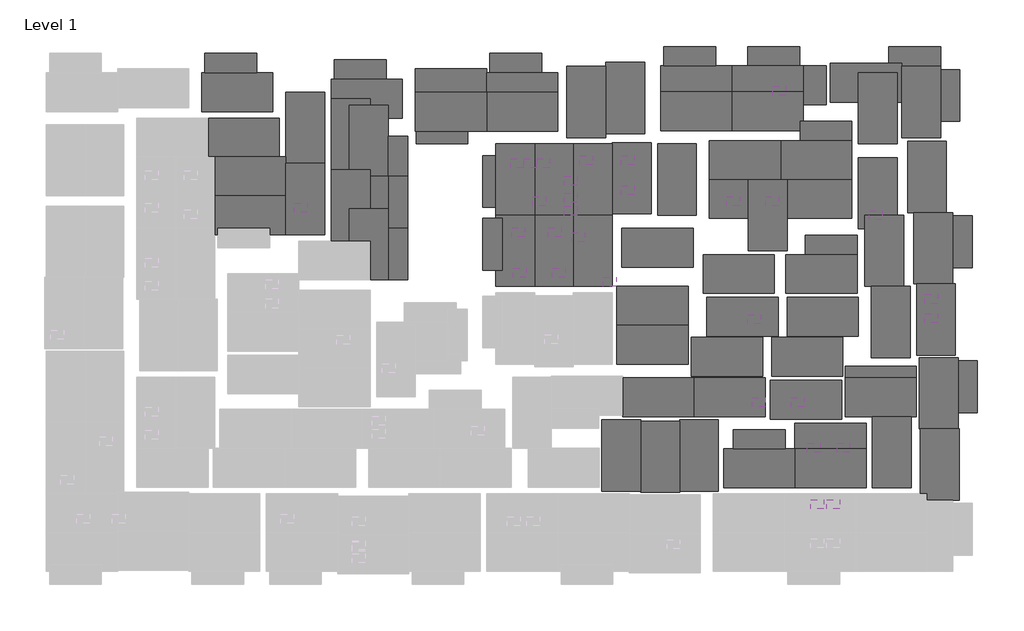
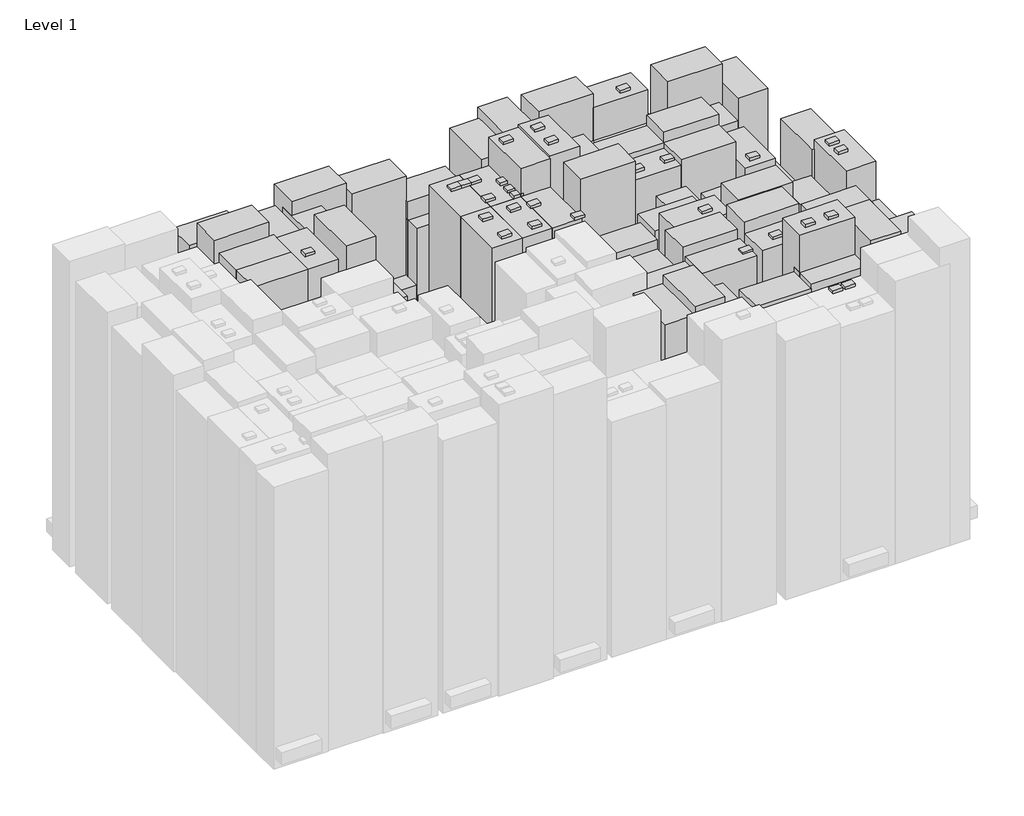
# One storey, part 2 of 2: 116 proxies.
"""IFC4 building model written with IfcOpenShell, lengths in millimetres."""

import ifcopenshell
import ifcopenshell.guid

model = None  # the IFC model being written
_history = None  # IfcOwnerHistory: only IFC2X3 demands one
_inside = {}  # id of a spatial element -> (the spatial element, [elements in it])
_under = {}  # id of a project, library or spatial element -> (it, [spatial elements below it])
_declared = {}  # id of a project -> (the project, [libraries it declares])
_typed = {}  # id of a type object -> (the type object, [elements of that type])
_made_of = {}  # id of a material, layer set ... -> (it, [elements and type objects made of it])


def new_model(schema):
    """Start an empty IFC model of exactly this schema.

    Asked for "IFC4X3", IfcOpenShell would pick the latest addendum, in which some entities
    have other attributes; the version numbers below select the first issue.
    IFC2X3 requires an IfcOwnerHistory on every rooted entity: one is made here for all.
    """
    global model, _history
    if schema == "IFC4X3":
        model = ifcopenshell.file(schema_version=(4, 3, 0, 0))
    else:
        model = ifcopenshell.file(schema=schema)
    _inside.clear()
    _under.clear()
    _declared.clear()
    _typed.clear()
    _made_of.clear()
    _history = None
    if model.schema == "IFC2X3":
        org = make("IfcOrganization", Name="unknown")
        user = make(
            "IfcPersonAndOrganization",
            ThePerson=make("IfcPerson", FamilyName="unknown"),
            TheOrganization=org,
        )
        app = make(
            "IfcApplication",
            ApplicationDeveloper=org,
            Version="unknown",
            ApplicationFullName="unknown",
            ApplicationIdentifier="unknown",
        )
        _history = make(
            "IfcOwnerHistory",
            OwningUser=user,
            OwningApplication=app,
            ChangeAction="ADDED",
            CreationDate=0,
        )
    return model


def make(cls, **values):
    """One entity of the class cls with the attributes given. An attribute that is None is left unset."""
    return model.create_entity(
        cls, **{name: value for name, value in values.items() if value is not None}
    )


def rooted(cls, **values):
    """An entity with a GlobalId (a new one), such as an element, a storey or a relation."""
    return make(cls, GlobalId=ifcopenshell.guid.new(), OwnerHistory=_history, **values)


def si_unit(unit_type, name, prefix=None):
    """IfcSIUnit, for example si_unit("LENGTHUNIT", "METRE", prefix="MILLI")."""
    return make("IfcSIUnit", UnitType=unit_type, Prefix=prefix, Name=name)


def assignment(units):
    """IfcUnitAssignment: the units of a project."""
    return None if units is None else make("IfcUnitAssignment", Units=units)


def point(xyz):
    """IfcCartesianPoint."""
    return None if xyz is None else make("IfcCartesianPoint", Coordinates=xyz)


def direction(xyz):
    """IfcDirection."""
    return None if xyz is None else make("IfcDirection", DirectionRatios=xyz)


def frame(location, z_axis=None, x_axis=None):
    """IfcAxis2Placement3D, a coordinate frame: its origin and axes. An axis left out is left unset."""
    return make(
        "IfcAxis2Placement3D",
        Location=point(location),
        Axis=direction(z_axis),
        RefDirection=direction(x_axis),
    )


def origin():
    """The frame at (0, 0, 0) with its axes left unset."""
    return frame((0.0, 0.0, 0.0))


def origin_with_axes():
    """The frame at (0, 0, 0) with the z axis (0, 0, 1) and the x axis (1, 0, 0) written out."""
    return frame((0.0, 0.0, 0.0), z_axis=(0.0, 0.0, 1.0), x_axis=(1.0, 0.0, 0.0))


def place(relative_to, where):
    """IfcLocalPlacement: puts the frame where relative to a parent placement (None: the world)."""
    return make(
        "IfcLocalPlacement", PlacementRelTo=relative_to, RelativePlacement=where
    )


def context(
    kind, dimensions, precision=None, world=None, true_north=None, identifier=None
):
    """IfcGeometricRepresentationContext, for example the 3D "Model" context."""
    return make(
        "IfcGeometricRepresentationContext",
        ContextIdentifier=identifier,
        ContextType=kind,
        CoordinateSpaceDimension=dimensions,
        Precision=precision,
        WorldCoordinateSystem=world,
        TrueNorth=true_north,
    )


def project(units=None, contexts=None):
    """IfcProject with its units and contexts."""
    return rooted(
        "IfcProject",
        Name="project",
        RepresentationContexts=contexts,
        UnitsInContext=assignment(units),
    )


def spatial(cls, under=None, at=None, **own):
    """A site, building, storey or space (cls), placed at a placement, below another one or the project."""
    s = rooted(cls, ObjectPlacement=at, **own)
    if under is not None:
        _under.setdefault(under.id(), (under, []))[1].append(s)
    return s


def polyline(points):
    """IfcPolyline through the points."""
    return make("IfcPolyline", Points=[point(p) for p in points])


def outline(outer, holes=None, kind="AREA"):
    """IfcArbitraryClosedProfileDef: a profile drawn as a closed curve; with holes, ...WithVoids."""
    if holes is None:
        return make("IfcArbitraryClosedProfileDef", ProfileType=kind, OuterCurve=outer)
    return make(
        "IfcArbitraryProfileDefWithVoids",
        ProfileType=kind,
        OuterCurve=outer,
        InnerCurves=holes,
    )


def extrude(swept, where, along, depth):
    """IfcExtrudedAreaSolid: the profile swept, set in the frame where, extruded along a direction by depth."""
    return make(
        "IfcExtrudedAreaSolid",
        SweptArea=swept,
        Position=where,
        ExtrudedDirection=direction(along),
        Depth=depth,
    )


def shape(context_of_items, identifier, shape_type, items):
    """IfcShapeRepresentation: the items that make up one representation, for example the "Body"."""
    return make(
        "IfcShapeRepresentation",
        ContextOfItems=context_of_items,
        RepresentationIdentifier=identifier,
        RepresentationType=shape_type,
        Items=items,
    )


def source(mapping_origin, context_of_items, identifier, shape_type, items):
    """IfcRepresentationMap: a shape defined once, which mapped items show again and again."""
    return make(
        "IfcRepresentationMap",
        MappingOrigin=mapping_origin,
        MappedRepresentation=shape(context_of_items, identifier, shape_type, items),
    )


def transform(
    local_origin,
    x_axis=None,
    y_axis=None,
    z_axis=None,
    scale=None,
    scale2=None,
    scale3=None,
    uniform=True,
):
    """IfcCartesianTransformationOperator3D, or its non-uniform kind. x_axis, y_axis, z_axis: its Axis1, 2, 3."""
    if uniform:
        return make(
            "IfcCartesianTransformationOperator3D",
            Axis1=direction(x_axis),
            Axis2=direction(y_axis),
            LocalOrigin=point(local_origin),
            Scale=scale,
            Axis3=direction(z_axis),
        )
    return make(
        "IfcCartesianTransformationOperator3DnonUniform",
        Axis1=direction(x_axis),
        Axis2=direction(y_axis),
        LocalOrigin=point(local_origin),
        Scale=scale,
        Axis3=direction(z_axis),
        Scale2=scale2,
        Scale3=scale3,
    )


def mapped(mapping_source, mapping_target):
    """IfcMappedItem: shows the shape of a source again, moved by a transform."""
    return make(
        "IfcMappedItem", MappingSource=mapping_source, MappingTarget=mapping_target
    )


def made_of(thing, what):
    """Note that an element or type object is made of a material, layer set ...; save() writes the relation."""
    if what is not None:
        _made_of.setdefault(what.id(), (what, []))[1].append(thing)
    return thing


def element(
    cls,
    number,
    at=None,
    inside=None,
    cuts=None,
    type_object=None,
    material=None,
    context=None,
    identifier="Body",
    shape_type=None,
    held_by="IfcProductDefinitionShape",
    body=None,
    shapes=None,
    **own,
):
    """One element of the class cls, such as IfcWall. Its Tag is "e" and its number.

    at: its placement. inside: the storey or other place that contains it. cuts: it is an
    opening in that element (IfcRelVoidsElement). A single representation is given by context,
    identifier, shape_type and body (its items); several are given by shapes. held_by: the class
    of the entity that holds the representations. save() writes the other relations.
    """
    e = rooted(cls, Tag="e%d" % number, ObjectPlacement=at, **own)
    if body is not None:
        shapes = [shape(context, identifier, shape_type, body)]
    if shapes is not None:
        e.Representation = make(held_by, Representations=shapes)
    if inside is not None:
        _inside.setdefault(inside.id(), (inside, []))[1].append(e)
    if cuts is not None:
        rooted(
            "IfcRelVoidsElement", RelatingBuildingElement=cuts, RelatedOpeningElement=e
        )
    if type_object is not None:
        _typed.setdefault(type_object.id(), (type_object, []))[1].append(e)
    return made_of(e, material)


def aggregate(whole, parts):
    """IfcRelAggregates: a whole, such as a stair, and the parts it consists of."""
    return rooted("IfcRelAggregates", RelatingObject=whole, RelatedObjects=parts)


def save(model, path):
    """Write the relations noted so far, then the file.

    IfcRelAggregates (storeys below a building ...), IfcRelContainedInSpatialStructure (elements
    in a storey), IfcRelDefinesByType, IfcRelAssociatesMaterial and IfcRelDeclares: one each for
    every whole, place, type object, material and project.
    """
    for whole, parts in _under.values():
        aggregate(whole, parts)
    for where, things in _inside.values():
        rooted(
            "IfcRelContainedInSpatialStructure",
            RelatedElements=things,
            RelatingStructure=where,
        )
    for kind, things in _typed.values():
        rooted("IfcRelDefinesByType", RelatedObjects=things, RelatingType=kind)
    for what, things in _made_of.values():
        rooted("IfcRelAssociatesMaterial", RelatedObjects=things, RelatingMaterial=what)
    for by, libraries in _declared.values():
        rooted("IfcRelDeclares", RelatingContext=by, RelatedDefinitions=libraries)
    model.write(path)


def family1_dcfbde00(model_context):
    return source(origin(), model_context, "Body", "SweptSolid", [
        extrude(outline(polyline([(5500.0, 0.0), (0.0, 0.0), (0.0, 3000.0), (5500.0, 3000.0), (5500.0, 0.0)])), origin_with_axes(), (0.0, 0.0, 1.0), 30000.0),
    ])


def family1_fa76c40e(model_context):
    return source(origin(), model_context, "Body", "SweptSolid", [
        extrude(outline(polyline([(5500.0, 0.0), (0.0, 0.0), (0.0, 3000.0), (5500.0, 3000.0), (5500.0, 0.0)])), origin_with_axes(), (0.0, 0.0, 1.0), 31500.0),
    ])


def family1_e73b99d9(model_context):
    return source(origin(), model_context, "Body", "SweptSolid", [
        extrude(outline(polyline([(5500.0, 0.0), (0.0, 0.0), (0.0, 3000.0), (5500.0, 3000.0), (5500.0, 0.0)])), origin_with_axes(), (0.0, 0.0, 1.0), 31000.0),
    ])


def family1_9aadf6d4(model_context):
    return source(origin(), model_context, "Body", "SweptSolid", [
        extrude(outline(polyline([(5500.0, 0.0), (0.0, 0.0), (0.0, 3000.0), (5500.0, 3000.0), (5500.0, 0.0)])), origin_with_axes(), (0.0, 0.0, 1.0), 29000.0),
    ])


def family1_6fe13b76(model_context):
    return source(origin(), model_context, "Body", "SweptSolid", [
        extrude(outline(polyline([(5500.0, 0.0), (0.0, 0.0), (0.0, 3000.0), (5500.0, 3000.0), (5500.0, 0.0)])), origin_with_axes(), (0.0, 0.0, 1.0), 25000.0),
    ])


def family1_b796bfb3(model_context):
    return source(origin(), model_context, "Body", "SweptSolid", [
        extrude(outline(polyline([(5500.0, 0.0), (0.0, 0.0), (0.0, 3000.0), (5500.0, 3000.0), (5500.0, 0.0)])), origin_with_axes(), (0.0, 0.0, 1.0), 25500.0),
    ])


def family1_b3317241(model_context):
    return source(origin(), model_context, "Body", "SweptSolid", [
        extrude(outline(polyline([(5500.0, 0.0), (0.0, 0.0), (0.0, 3000.0), (5500.0, 3000.0), (5500.0, 0.0)])), origin_with_axes(), (0.0, 0.0, 1.0), 27500.0),
    ])


def family1_00f34a61(model_context):
    return source(origin(), model_context, "Body", "SweptSolid", [
        extrude(outline(polyline([(5500.0, 0.0), (0.0, 0.0), (0.0, 3000.0), (5500.0, 3000.0), (5500.0, 0.0)])), origin_with_axes(), (0.0, 0.0, 1.0), 27000.0),
    ])


def family1_896059d8(model_context):
    return source(origin(), model_context, "Body", "SweptSolid", [
        extrude(outline(polyline([(5500.0, 0.0), (0.0, 0.0), (0.0, 3000.0), (5500.0, 3000.0), (5500.0, 0.0)])), origin_with_axes(), (0.0, 0.0, 1.0), 30500.0),
    ])


def family1_1a6da6a2(model_context):
    return source(origin(), model_context, "Body", "SweptSolid", [
        extrude(outline(polyline([(5500.0, 0.0), (0.0, 0.0), (0.0, 3000.0), (5500.0, 3000.0), (5500.0, 0.0)])), origin_with_axes(), (0.0, 0.0, 1.0), 32500.0),
    ])


def family1_1ed43506(model_context):
    return source(origin(), model_context, "Body", "SweptSolid", [
        extrude(outline(polyline([(5500.0, 0.0), (0.0, 0.0), (0.0, 3000.0), (5500.0, 3000.0), (5500.0, 0.0)])), origin_with_axes(), (0.0, 0.0, 1.0), 29500.0),
    ])


def family1_eb2d8682(model_context):
    return source(origin(), model_context, "Body", "SweptSolid", [
        extrude(outline(polyline([(5500.0, 0.0), (0.0, 0.0), (0.0, 3000.0), (5500.0, 3000.0), (5500.0, 0.0)])), origin_with_axes(), (0.0, 0.0, 1.0), 28500.0),
    ])


def family1_2dd5feae(model_context):
    return source(origin(), model_context, "Body", "SweptSolid", [
        extrude(outline(polyline([(5500.0, 0.0), (0.0, 0.0), (0.0, 3000.0), (5500.0, 3000.0), (5500.0, 0.0)])), origin_with_axes(), (0.0, 0.0, 1.0), 26500.0),
    ])


def family1_9ded46cc(model_context):
    return source(origin(), model_context, "Body", "SweptSolid", [
        extrude(outline(polyline([(5500.0, 0.0), (0.0, 0.0), (0.0, 3000.0), (5500.0, 3000.0), (5500.0, 0.0)])), origin_with_axes(), (0.0, 0.0, 1.0), 26000.0),
    ])


def family1_18f83917(model_context):
    return source(origin(), model_context, "Body", "SweptSolid", [
        extrude(outline(polyline([(5500.0, 0.0), (0.0, 0.0), (0.0, 3000.0), (5500.0, 3000.0), (5500.0, 0.0)])), origin_with_axes(), (0.0, 0.0, 1.0), 19000.0),
    ])


def family1_0fcecf8f(model_context):
    return source(origin(), model_context, "Body", "SweptSolid", [
        extrude(outline(polyline([(5500.0, 0.0), (0.0, 0.0), (0.0, 3000.0), (5500.0, 3000.0), (5500.0, 0.0)])), origin_with_axes(), (0.0, 0.0, 1.0), 33000.0),
    ])


def family1_6f2b8258(model_context):
    return source(origin(), model_context, "Body", "SweptSolid", [
        extrude(outline(polyline([(5500.0, 0.0), (0.0, 0.0), (0.0, 3000.0), (5500.0, 3000.0), (5500.0, 0.0)])), origin_with_axes(), (0.0, 0.0, 1.0), 33200.0),
    ])


def family1_d9acac7f(model_context):
    return source(origin(), model_context, "Body", "SweptSolid", [
        extrude(outline(polyline([(5500.0, 0.0), (0.0, 0.0), (0.0, 3000.0), (5500.0, 3000.0), (5500.0, 0.0)])), origin_with_axes(), (0.0, 0.0, 1.0), 27900.0),
    ])


def family1_86fee04a(model_context):
    return source(origin(), model_context, "Body", "SweptSolid", [
        extrude(outline(polyline([(5500.0, 0.0), (0.0, 0.0), (0.0, 3000.0), (5500.0, 3000.0), (5500.0, 0.0)])), origin_with_axes(), (0.0, 0.0, 1.0), 28000.0),
    ])


def family1_c474a481(model_context):
    return source(origin(), model_context, "Body", "SweptSolid", [
        extrude(outline(polyline([(5500.0, 0.0), (0.0, 0.0), (0.0, 3000.0), (5500.0, 3000.0), (5500.0, 0.0)])), origin_with_axes(), (0.0, 0.0, 1.0), 29600.0),
    ])


def family1_459d5f5b(model_context):
    return source(origin(), model_context, "Body", "SweptSolid", [
        extrude(outline(polyline([(5500.0, 0.0), (0.0, 0.0), (0.0, 3000.0), (5500.0, 3000.0), (5500.0, 0.0)])), origin_with_axes(), (0.0, 0.0, 1.0), 20000.0),
    ])


def family1_19b85e43(model_context):
    return source(origin(), model_context, "Body", "SweptSolid", [
        extrude(outline(polyline([(1500.0, 0.0), (0.0, 0.0), (0.0, 4000.0), (1500.0, 4000.0), (1500.0, 0.0)])), frame((0.0, 0.0, 1000.0), z_axis=(0.0, 0.0, 1.0), x_axis=(1.0, 0.0, 0.0)), (0.0, 0.0, 1.0), 1300.0),
    ])


def family1_91be84c3(model_context):
    return source(origin(), model_context, "Body", "SweptSolid", [
        extrude(outline(polyline([(1000.0, 0.0), (0.0, 0.0), (0.0, 700.0), (1000.0, 700.0), (1000.0, 0.0)])), frame((0.0, 0.0, 30000.0), z_axis=(0.0, 0.0, 1.0), x_axis=(1.0, 0.0, 0.0)), (0.0, 0.0, 1.0), 300.0),
    ])


def family1_7d115038(model_context):
    return source(origin(), model_context, "Body", "SweptSolid", [
        extrude(outline(polyline([(1000.0, 0.0), (0.0, 0.0), (0.0, 700.0), (1000.0, 700.0), (1000.0, 0.0)])), frame((0.0, 0.0, 31000.0), z_axis=(0.0, 0.0, 1.0), x_axis=(1.0, 0.0, 0.0)), (0.0, 0.0, 1.0), 300.0),
    ])


def family1_f6097ddd(model_context):
    return source(origin(), model_context, "Body", "SweptSolid", [
        extrude(outline(polyline([(1000.0, 0.0), (0.0, 0.0), (0.0, 700.0), (1000.0, 700.0), (1000.0, 0.0)])), frame((0.0, 0.0, 31500.0), z_axis=(0.0, 0.0, 1.0), x_axis=(1.0, 0.0, 0.0)), (0.0, 0.0, 1.0), 300.0),
    ])


def family1_1ae9fefa(model_context):
    return source(origin(), model_context, "Body", "SweptSolid", [
        extrude(outline(polyline([(1000.0, 0.0), (0.0, 0.0), (0.0, 700.0), (1000.0, 700.0), (1000.0, 0.0)])), frame((0.0, 0.0, 27000.0), z_axis=(0.0, 0.0, 1.0), x_axis=(1.0, 0.0, 0.0)), (0.0, 0.0, 1.0), 300.0),
    ])


def family1_a6cd9099(model_context):
    return source(origin(), model_context, "Body", "SweptSolid", [
        extrude(outline(polyline([(1000.0, 0.0), (0.0, 0.0), (0.0, 700.0), (1000.0, 700.0), (1000.0, 0.0)])), frame((0.0, 0.0, 27900.0), z_axis=(0.0, 0.0, 1.0), x_axis=(1.0, 0.0, 0.0)), (0.0, 0.0, 1.0), 300.0),
    ])


def family1_1ac50c88(model_context):
    return source(origin(), model_context, "Body", "SweptSolid", [
        extrude(outline(polyline([(1000.0, 0.0), (0.0, 0.0), (0.0, 700.0), (1000.0, 700.0), (1000.0, 0.0)])), frame((0.0, 0.0, 28500.0), z_axis=(0.0, 0.0, 1.0), x_axis=(1.0, 0.0, 0.0)), (0.0, 0.0, 1.0), 300.0),
    ])


def family1_3259558f(model_context):
    return source(origin(), model_context, "Body", "SweptSolid", [
        extrude(outline(polyline([(1000.0, 0.0), (0.0, 0.0), (0.0, 700.0), (1000.0, 700.0), (1000.0, 0.0)])), frame((0.0, 0.0, 26000.0), z_axis=(0.0, 0.0, 1.0), x_axis=(1.0, 0.0, 0.0)), (0.0, 0.0, 1.0), 300.0),
    ])


def family1_d69630c6(model_context):
    return source(origin(), model_context, "Body", "SweptSolid", [
        extrude(outline(polyline([(1000.0, 0.0), (0.0, 0.0), (0.0, 700.0), (1000.0, 700.0), (1000.0, 0.0)])), frame((0.0, 0.0, 33000.0), z_axis=(0.0, 0.0, 1.0), x_axis=(1.0, 0.0, 0.0)), (0.0, 0.0, 1.0), 300.0),
    ])


def family1_e3b4f19f(model_context):
    return source(origin(), model_context, "Body", "SweptSolid", [
        extrude(outline(polyline([(1000.0, 0.0), (0.0, 0.0), (0.0, 700.0), (1000.0, 700.0), (1000.0, 0.0)])), frame((0.0, 0.0, 33200.0), z_axis=(0.0, 0.0, 1.0), x_axis=(1.0, 0.0, 0.0)), (0.0, 0.0, 1.0), 300.0),
    ])


model = new_model("IFC4")

# Units and contexts
model_context = context("Model", 3, world=origin())
ifc_project = project(units=[si_unit("LENGTHUNIT", "METRE", prefix="MILLI")], contexts=[model_context])

# Site, building, storey
site = spatial("IfcSite", under=ifc_project)
building = spatial("IfcBuilding", under=site)
storey = spatial("IfcBuildingStorey", under=building, Name="Level 1", Elevation=0.0)

# Proxies
placement = place(None, origin())
family1_shape = family1_dcfbde00(model_context)
element("IfcBuildingElementProxy", 1, Name="Family1", ObjectType="Family1", at=placement, inside=storey, context=model_context, shape_type="MappedRepresentation", body=[
    mapped(family1_shape, transform((12367.313882, 27327.8601407, 0.0), x_axis=(0.0, 1.0, 0.0), y_axis=(-1.0, 0.0, 0.0), z_axis=(0.0, 0.0, 1.0))),
])
element("IfcBuildingElementProxy", 2, Name="Family1", ObjectType="Family1", at=placement, inside=storey, context=model_context, shape_type="MappedRepresentation", body=[
    mapped(family1_shape, transform((8867.313882, 27827.8601407, 0.0), x_axis=(0.0, 1.0, 0.0), y_axis=(-1.0, 0.0, 0.0), z_axis=(0.0, 0.0, 1.0))),
])
element("IfcBuildingElementProxy", 3, Name="Family1", ObjectType="Family1", at=placement, inside=storey, context=model_context, shape_type="MappedRepresentation", body=[
    mapped(family1_shape, transform((4867.313882, 34827.8601407, 0.0), x_axis=(-1.0, 0.0, 0.0), y_axis=(0.0, -1.0, 0.0), z_axis=(0.0, 0.0, 1.0))),
])
element("IfcBuildingElementProxy", 4, Name="Family1", ObjectType="Family1", at=placement, inside=storey, context=model_context, shape_type="MappedRepresentation", body=[
    mapped(family1_shape, transform((28067.313882, 18327.8601407, 0.0), x_axis=(0.0, 1.0, 0.0), y_axis=(-1.0, 0.0, 0.0), z_axis=(0.0, 0.0, 1.0))),
])
element("IfcBuildingElementProxy", 5, Name="Family1", ObjectType="Family1", at=placement, inside=storey, context=model_context, shape_type="MappedRepresentation", body=[
    mapped(family1_shape, transform((25067.313882, 18327.8601407, 0.0), x_axis=(0.0, 1.0, 0.0), y_axis=(-1.0, 0.0, 0.0), z_axis=(0.0, 0.0, 1.0))),
])
element("IfcBuildingElementProxy", 6, Name="Family1", ObjectType="Family1", at=placement, inside=storey, context=model_context, shape_type="MappedRepresentation", body=[
    mapped(family1_shape, transform((31067.313882, 18327.8601407, 0.0), x_axis=(0.0, 1.0, 0.0), y_axis=(-1.0, 0.0, 0.0), z_axis=(0.0, 0.0, 1.0))),
])
element("IfcBuildingElementProxy", 7, Name="Family1", ObjectType="Family1", at=placement, inside=storey, context=model_context, shape_type="MappedRepresentation", body=[
    mapped(family1_shape, transform((28067.313882, 23827.8601407, 0.0), x_axis=(0.0, 1.0, 0.0), y_axis=(-1.0, 0.0, 0.0), z_axis=(0.0, 0.0, 1.0))),
])
element("IfcBuildingElementProxy", 8, Name="Family1", ObjectType="Family1", at=placement, inside=storey, context=model_context, shape_type="MappedRepresentation", body=[
    mapped(family1_shape, transform((25067.313882, 23827.8601407, 0.0), x_axis=(0.0, 1.0, 0.0), y_axis=(-1.0, 0.0, 0.0), z_axis=(0.0, 0.0, 1.0))),
])
element("IfcBuildingElementProxy", 9, Name="Family1", ObjectType="Family1", at=placement, inside=storey, context=model_context, shape_type="MappedRepresentation", body=[
    mapped(family1_shape, transform((37567.313882, 23827.8601407, 0.0), x_axis=(0.0, 1.0, 0.0), y_axis=(-1.0, 0.0, 0.0), z_axis=(0.0, 0.0, 1.0))),
])
element("IfcBuildingElementProxy", 10, Name="Family1", ObjectType="Family1", at=placement, inside=storey, context=model_context, shape_type="MappedRepresentation", body=[
    mapped(family1_shape, transform((57567.313882, 13027.8601407, 0.0), x_axis=(0.0, 1.0, 0.0), y_axis=(-1.0, 0.0, 0.0), z_axis=(0.0, 0.0, 1.0))),
])
element("IfcBuildingElementProxy", 11, Name="Family1", ObjectType="Family1", at=placement, inside=storey, context=model_context, shape_type="MappedRepresentation", body=[
    mapped(family1_shape, transform((54161.5425161, 2777.8601407, 0.0), x_axis=(0.0, 1.0, 0.0), y_axis=(-1.0, 0.0, 0.0), z_axis=(0.0, 0.0, 1.0))),
])
element("IfcBuildingElementProxy", 12, Name="Family1", ObjectType="Family1", at=placement, inside=storey, context=model_context, shape_type="MappedRepresentation", body=[
    mapped(family1_shape, transform((45799.3935414, 35352.477225, 0.0), x_axis=(-1.0, 0.0, 0.0), y_axis=(0.0, -1.0, 0.0), z_axis=(0.0, 0.0, 1.0))),
])
element("IfcBuildingElementProxy", 13, Name="Family1", ObjectType="Family1", at=placement, inside=storey, context=model_context, shape_type="MappedRepresentation", body=[
    mapped(family1_shape, transform((53417.9332894, 35552.477225, 0.0), x_axis=(-1.0, 0.0, 0.0), y_axis=(0.0, -1.0, 0.0), z_axis=(0.0, 0.0, 1.0))),
])
family1_2_shape = family1_fa76c40e(model_context)
element("IfcBuildingElementProxy", 14, Name="Family1", ObjectType="Family1", at=placement, inside=storey, context=model_context, shape_type="MappedRepresentation", body=[
    mapped(family1_2_shape, transform((9367.313882, 31327.8601407, 0.0), x_axis=(1.0, 0.0, 0.0), y_axis=(0.0, 1.0, 0.0), z_axis=(0.0, 0.0, 1.0))),
])
element("IfcBuildingElementProxy", 15, Name="Family1", ObjectType="Family1", at=placement, inside=storey, context=model_context, shape_type="MappedRepresentation", body=[
    mapped(family1_2_shape, transform((33567.313882, 30127.8601407, 0.0), x_axis=(0.0, 1.0, 0.0), y_axis=(-1.0, 0.0, 0.0), z_axis=(0.0, 0.0, 1.0))),
])
element("IfcBuildingElementProxy", 16, Name="Family1", ObjectType="Family1", at=placement, inside=storey, context=model_context, shape_type="MappedRepresentation", body=[
    mapped(family1_2_shape, transform((50661.5425161, 7777.8601407, 0.0), x_axis=(-1.0, 0.0, 0.0), y_axis=(0.0, -1.0, 0.0), z_axis=(0.0, 0.0, 1.0))),
])
element("IfcBuildingElementProxy", 17, Name="Family1", ObjectType="Family1", at=placement, inside=storey, context=model_context, shape_type="MappedRepresentation", body=[
    mapped(family1_2_shape, transform((40299.3935414, 35352.477225, 0.0), x_axis=(-1.0, 0.0, 0.0), y_axis=(0.0, -1.0, 0.0), z_axis=(0.0, 0.0, 1.0))),
])
family1_3_shape = family1_e73b99d9(model_context)
element("IfcBuildingElementProxy", 18, Name="Family1", ObjectType="Family1", at=placement, inside=storey, context=model_context, shape_type="MappedRepresentation", body=[
    mapped(family1_3_shape, transform((5867.313882, 28327.8601407, 0.0), x_axis=(-1.0, 0.0, 0.0), y_axis=(0.0, -1.0, 0.0), z_axis=(0.0, 0.0, 1.0))),
])
element("IfcBuildingElementProxy", 19, Name="Family1", ObjectType="Family1", at=placement, inside=storey, context=model_context, shape_type="MappedRepresentation", body=[
    mapped(family1_3_shape, transform((5867.313882, 25327.8601407, 0.0), x_axis=(-1.0, 0.0, 0.0), y_axis=(0.0, -1.0, 0.0), z_axis=(0.0, 0.0, 1.0))),
])
element("IfcBuildingElementProxy", 20, Name="Family1", ObjectType="Family1", at=placement, inside=storey, context=model_context, shape_type="MappedRepresentation", body=[
    mapped(family1_3_shape, transform((8867.313882, 22327.8601407, 0.0), x_axis=(0.0, 1.0, 0.0), y_axis=(-1.0, 0.0, 0.0), z_axis=(0.0, 0.0, 1.0))),
])
family1_4_shape = family1_9aadf6d4(model_context)
element("IfcBuildingElementProxy", 21, Name="Family1", ObjectType="Family1", at=placement, inside=storey, context=model_context, shape_type="MappedRepresentation", body=[
    mapped(family1_4_shape, transform((42679.4459164, 14389.992175, 0.0), x_axis=(-1.0, 0.0, 0.0), y_axis=(0.0, -1.0, 0.0), z_axis=(0.0, 0.0, 1.0))),
])
element("IfcBuildingElementProxy", 22, Name="Family1", ObjectType="Family1", at=placement, inside=storey, context=model_context, shape_type="MappedRepresentation", body=[
    mapped(family1_4_shape, transform((57367.313882, 18527.8601407, 0.0), x_axis=(0.0, 1.0, 0.0), y_axis=(-1.0, 0.0, 0.0), z_axis=(0.0, 0.0, 1.0))),
])
family1_5_shape = family1_6fe13b76(model_context)
element("IfcBuildingElementProxy", 23, Name="Family1", ObjectType="Family1", at=placement, inside=storey, context=model_context, shape_type="MappedRepresentation", body=[
    mapped(family1_5_shape, transform((21367.313882, 30327.8601407, 0.0), x_axis=(1.0, 0.0, 0.0), y_axis=(0.0, 1.0, 0.0), z_axis=(0.0, 0.0, 1.0))),
])
element("IfcBuildingElementProxy", 24, Name="Family1", ObjectType="Family1", at=placement, inside=storey, context=model_context, shape_type="MappedRepresentation", body=[
    mapped(family1_5_shape, transform((53567.313882, 18327.8601407, 0.0), x_axis=(0.0, 1.0, 0.0), y_axis=(-1.0, 0.0, 0.0), z_axis=(0.0, 0.0, 1.0))),
])
element("IfcBuildingElementProxy", 25, Name="Family1", ObjectType="Family1", at=placement, inside=storey, context=model_context, shape_type="MappedRepresentation", body=[
    mapped(family1_5_shape, transform((54555.0919842, 12177.8601407, 0.0), x_axis=(-1.0, 0.0, 0.0), y_axis=(0.0, -1.0, 0.0), z_axis=(0.0, 0.0, 1.0))),
])
element("IfcBuildingElementProxy", 26, Name="Family1", ObjectType="Family1", at=placement, inside=storey, context=model_context, shape_type="MappedRepresentation", body=[
    mapped(family1_5_shape, transform((47604.1935414, 35352.477225, 0.0), x_axis=(-1.0, 0.0, 0.0), y_axis=(0.0, -1.0, 0.0), z_axis=(0.0, 0.0, 1.0))),
])
family1_6_shape = family1_b796bfb3(model_context)
element("IfcBuildingElementProxy", 27, Name="Family1", ObjectType="Family1", at=placement, inside=storey, context=model_context, shape_type="MappedRepresentation", body=[
    mapped(family1_6_shape, transform((44567.313882, 21077.8601407, 0.0), x_axis=(0.0, 1.0, 0.0), y_axis=(-1.0, 0.0, 0.0), z_axis=(0.0, 0.0, 1.0))),
])
family1_7_shape = family1_b3317241(model_context)
element("IfcBuildingElementProxy", 28, Name="Family1", ObjectType="Family1", at=placement, inside=storey, context=model_context, shape_type="MappedRepresentation", body=[
    mapped(family1_7_shape, transform((13767.313882, 18827.8601407, 0.0), x_axis=(0.0, 1.0, 0.0), y_axis=(-1.0, 0.0, 0.0), z_axis=(0.0, 0.0, 1.0))),
])
element("IfcBuildingElementProxy", 29, Name="Family1", ObjectType="Family1", at=placement, inside=storey, context=model_context, shape_type="MappedRepresentation", body=[
    mapped(family1_7_shape, transform((36917.313882, 18327.8601407, 0.0), x_axis=(-1.0, 0.0, 0.0), y_axis=(0.0, -1.0, 0.0), z_axis=(0.0, 0.0, 1.0))),
])
element("IfcBuildingElementProxy", 30, Name="Family1", ObjectType="Family1", at=placement, inside=storey, context=model_context, shape_type="MappedRepresentation", body=[
    mapped(family1_7_shape, transform((37367.313882, 11277.8601407, 0.0), x_axis=(-1.0, 0.0, 0.0), y_axis=(0.0, -1.0, 0.0), z_axis=(0.0, 0.0, 1.0))),
])
element("IfcBuildingElementProxy", 31, Name="Family1", ObjectType="Family1", at=placement, inside=storey, context=model_context, shape_type="MappedRepresentation", body=[
    mapped(family1_7_shape, transform((50661.5425161, 5777.8601407, 0.0), x_axis=(-1.0, 0.0, 0.0), y_axis=(0.0, -1.0, 0.0), z_axis=(0.0, 0.0, 1.0))),
])
family1_8_shape = family1_00f34a61(model_context)
element("IfcBuildingElementProxy", 32, Name="Family1", ObjectType="Family1", at=placement, inside=storey, context=model_context, shape_type="MappedRepresentation", body=[
    mapped(family1_8_shape, transform((21367.313882, 31827.8601407, 0.0), x_axis=(1.0, 0.0, 0.0), y_axis=(0.0, 1.0, 0.0), z_axis=(0.0, 0.0, 1.0))),
])
element("IfcBuildingElementProxy", 33, Name="Family1", ObjectType="Family1", at=placement, inside=storey, context=model_context, shape_type="MappedRepresentation", body=[
    mapped(family1_8_shape, transform((45161.5425161, 5777.8601407, 0.0), x_axis=(-1.0, 0.0, 0.0), y_axis=(0.0, -1.0, 0.0), z_axis=(0.0, 0.0, 1.0))),
])
family1_9_shape = family1_896059d8(model_context)
element("IfcBuildingElementProxy", 34, Name="Family1", ObjectType="Family1", at=placement, inside=storey, context=model_context, shape_type="MappedRepresentation", body=[
    mapped(family1_9_shape, transform((30567.313882, 29827.8601407, 0.0), x_axis=(0.0, 1.0, 0.0), y_axis=(-1.0, 0.0, 0.0), z_axis=(0.0, 0.0, 1.0))),
])
family1_10_shape = family1_1a6da6a2(model_context)
element("IfcBuildingElementProxy", 35, Name="Family1", ObjectType="Family1", at=placement, inside=storey, context=model_context, shape_type="MappedRepresentation", body=[
    mapped(family1_10_shape, transform((5367.313882, 31327.8601407, 0.0), x_axis=(-1.0, 0.0, 0.0), y_axis=(0.0, -1.0, 0.0), z_axis=(0.0, 0.0, 1.0))),
])
element("IfcBuildingElementProxy", 36, Name="Family1", ObjectType="Family1", at=placement, inside=storey, context=model_context, shape_type="MappedRepresentation", body=[
    mapped(family1_10_shape, transform((12367.313882, 21827.8601407, 0.0), x_axis=(0.0, 1.0, 0.0), y_axis=(-1.0, 0.0, 0.0), z_axis=(0.0, 0.0, 1.0))),
])
family1_11_shape = family1_1ed43506(model_context)
element("IfcBuildingElementProxy", 37, Name="Family1", ObjectType="Family1", at=placement, inside=storey, context=model_context, shape_type="MappedRepresentation", body=[
    mapped(family1_11_shape, transform((15867.313882, 32127.8601407, 0.0), x_axis=(1.0, 0.0, 0.0), y_axis=(0.0, 1.0, 0.0), z_axis=(0.0, 0.0, 1.0))),
])
element("IfcBuildingElementProxy", 38, Name="Family1", ObjectType="Family1", at=placement, inside=storey, context=model_context, shape_type="MappedRepresentation", body=[
    mapped(family1_11_shape, transform((50079.4459164, 17489.992175, 0.0), x_axis=(-1.0, 0.0, 0.0), y_axis=(0.0, -1.0, 0.0), z_axis=(0.0, 0.0, 1.0))),
])
element("IfcBuildingElementProxy", 39, Name="Family1", ObjectType="Family1", at=placement, inside=storey, context=model_context, shape_type="MappedRepresentation", body=[
    mapped(family1_11_shape, transform((48879.4459164, 14389.992175, 0.0), x_axis=(-1.0, 0.0, 0.0), y_axis=(0.0, -1.0, 0.0), z_axis=(0.0, 0.0, 1.0))),
])
element("IfcBuildingElementProxy", 40, Name="Family1", ObjectType="Family1", at=placement, inside=storey, context=model_context, shape_type="MappedRepresentation", body=[
    mapped(family1_11_shape, transform((36267.313882, 2427.8601407, 0.0), x_axis=(0.0, 1.0, 0.0), y_axis=(-1.0, 0.0, 0.0), z_axis=(0.0, 0.0, 1.0))),
])
element("IfcBuildingElementProxy", 41, Name="Family1", ObjectType="Family1", at=placement, inside=storey, context=model_context, shape_type="MappedRepresentation", body=[
    mapped(family1_11_shape, transform((54555.0919842, 11277.8601407, 0.0), x_axis=(-1.0, 0.0, 0.0), y_axis=(0.0, -1.0, 0.0), z_axis=(0.0, 0.0, 1.0))),
])
family1_12_shape = family1_eb2d8682(model_context)
element("IfcBuildingElementProxy", 42, Name="Family1", ObjectType="Family1", at=placement, inside=storey, context=model_context, shape_type="MappedRepresentation", body=[
    mapped(family1_12_shape, transform((44067.313882, 29577.8601407, 0.0), x_axis=(-1.0, 0.0, 0.0), y_axis=(0.0, -1.0, 0.0), z_axis=(0.0, 0.0, 1.0))),
])
element("IfcBuildingElementProxy", 43, Name="Family1", ObjectType="Family1", at=placement, inside=storey, context=model_context, shape_type="MappedRepresentation", body=[
    mapped(family1_12_shape, transform((49567.313882, 26577.8601407, 0.0), x_axis=(-1.0, 0.0, 0.0), y_axis=(0.0, -1.0, 0.0), z_axis=(0.0, 0.0, 1.0))),
])
element("IfcBuildingElementProxy", 44, Name="Family1", ObjectType="Family1", at=placement, inside=storey, context=model_context, shape_type="MappedRepresentation", body=[
    mapped(family1_12_shape, transform((43879.4459164, 17489.992175, 0.0), x_axis=(-1.0, 0.0, 0.0), y_axis=(0.0, -1.0, 0.0), z_axis=(0.0, 0.0, 1.0))),
])
element("IfcBuildingElementProxy", 45, Name="Family1", ObjectType="Family1", at=placement, inside=storey, context=model_context, shape_type="MappedRepresentation", body=[
    mapped(family1_12_shape, transform((33267.313882, 2527.8601407, 0.0), x_axis=(0.0, 1.0, 0.0), y_axis=(-1.0, 0.0, 0.0), z_axis=(0.0, 0.0, 1.0))),
])
element("IfcBuildingElementProxy", 46, Name="Family1", ObjectType="Family1", at=placement, inside=storey, context=model_context, shape_type="MappedRepresentation", body=[
    mapped(family1_12_shape, transform((48779.4459164, 11089.992175, 0.0), x_axis=(-1.0, 0.0, 0.0), y_axis=(0.0, -1.0, 0.0), z_axis=(0.0, 0.0, 1.0))),
])
family1_13_shape = family1_2dd5feae(model_context)
element("IfcBuildingElementProxy", 47, Name="Family1", ObjectType="Family1", at=placement, inside=storey, context=model_context, shape_type="MappedRepresentation", body=[
    mapped(family1_13_shape, transform((13767.313882, 26827.8601407, 0.0), x_axis=(0.0, 1.0, 0.0), y_axis=(-1.0, 0.0, 0.0), z_axis=(0.0, 0.0, 1.0))),
])
element("IfcBuildingElementProxy", 48, Name="Family1", ObjectType="Family1", at=placement, inside=storey, context=model_context, shape_type="MappedRepresentation", body=[
    mapped(family1_13_shape, transform((43579.4459164, 20789.992175, 0.0), x_axis=(-1.0, 0.0, 0.0), y_axis=(0.0, -1.0, 0.0), z_axis=(0.0, 0.0, 1.0))),
])
element("IfcBuildingElementProxy", 49, Name="Family1", ObjectType="Family1", at=placement, inside=storey, context=model_context, shape_type="MappedRepresentation", body=[
    mapped(family1_13_shape, transform((49979.4459164, 20789.992175, 0.0), x_axis=(-1.0, 0.0, 0.0), y_axis=(0.0, -1.0, 0.0), z_axis=(0.0, 0.0, 1.0))),
])
element("IfcBuildingElementProxy", 50, Name="Family1", ObjectType="Family1", at=placement, inside=storey, context=model_context, shape_type="MappedRepresentation", body=[
    mapped(family1_13_shape, transform((39267.313882, 2527.8601407, 0.0), x_axis=(0.0, 1.0, 0.0), y_axis=(-1.0, 0.0, 0.0), z_axis=(0.0, 0.0, 1.0))),
])
element("IfcBuildingElementProxy", 51, Name="Family1", ObjectType="Family1", at=placement, inside=storey, context=model_context, shape_type="MappedRepresentation", body=[
    mapped(family1_13_shape, transform((54067.313882, 12827.8601407, 0.0), x_axis=(0.0, 1.0, 0.0), y_axis=(-1.0, 0.0, 0.0), z_axis=(0.0, 0.0, 1.0))),
])
element("IfcBuildingElementProxy", 52, Name="Family1", ObjectType="Family1", at=placement, inside=storey, context=model_context, shape_type="MappedRepresentation", body=[
    mapped(family1_13_shape, transform((40299.3935414, 33352.477225, 0.0), x_axis=(-1.0, 0.0, 0.0), y_axis=(0.0, -1.0, 0.0), z_axis=(0.0, 0.0, 1.0))),
])
element("IfcBuildingElementProxy", 53, Name="Family1", ObjectType="Family1", at=placement, inside=storey, context=model_context, shape_type="MappedRepresentation", body=[
    mapped(family1_13_shape, transform((45799.3935414, 33352.477225, 0.0), x_axis=(-1.0, 0.0, 0.0), y_axis=(0.0, -1.0, 0.0), z_axis=(0.0, 0.0, 1.0))),
])
element("IfcBuildingElementProxy", 54, Name="Family1", ObjectType="Family1", at=placement, inside=storey, context=model_context, shape_type="MappedRepresentation", body=[
    mapped(family1_13_shape, transform((36917.313882, 15327.8601407, 0.0), x_axis=(-1.0, 0.0, 0.0), y_axis=(0.0, -1.0, 0.0), z_axis=(0.0, 0.0, 1.0))),
])
family1_14_shape = family1_9ded46cc(model_context)
element("IfcBuildingElementProxy", 55, Name="Family1", ObjectType="Family1", at=placement, inside=storey, context=model_context, shape_type="MappedRepresentation", body=[
    mapped(family1_14_shape, transform((13767.313882, 21327.8601407, 0.0), x_axis=(0.0, 1.0, 0.0), y_axis=(-1.0, 0.0, 0.0), z_axis=(0.0, 0.0, 1.0))),
])
element("IfcBuildingElementProxy", 56, Name="Family1", ObjectType="Family1", at=placement, inside=storey, context=model_context, shape_type="MappedRepresentation", body=[
    mapped(family1_14_shape, transform((57767.313882, 7327.8601407, 0.0), x_axis=(0.0, 1.0, 0.0), y_axis=(-1.0, 0.0, 0.0), z_axis=(0.0, 0.0, 1.0))),
])
element("IfcBuildingElementProxy", 57, Name="Family1", ObjectType="Family1", at=placement, inside=storey, context=model_context, shape_type="MappedRepresentation", body=[
    mapped(family1_14_shape, transform((53067.313882, 22770.3397943, 0.0), x_axis=(0.0, 1.0, 0.0), y_axis=(-1.0, 0.0, 0.0), z_axis=(0.0, 0.0, 1.0))),
])
element("IfcBuildingElementProxy", 58, Name="Family1", ObjectType="Family1", at=placement, inside=storey, context=model_context, shape_type="MappedRepresentation", body=[
    mapped(family1_14_shape, transform((53067.313882, 29327.8601407, 0.0), x_axis=(0.0, 1.0, 0.0), y_axis=(-1.0, 0.0, 0.0), z_axis=(0.0, 0.0, 1.0))),
])
family1_15_shape = family1_18f83917(model_context)
element("IfcBuildingElementProxy", 59, Name="Family1", ObjectType="Family1", at=placement, inside=storey, context=model_context, shape_type="MappedRepresentation", body=[
    mapped(family1_15_shape, transform((15867.313882, 30327.8601407, 0.0), x_axis=(1.0, 0.0, 0.0), y_axis=(0.0, 1.0, 0.0), z_axis=(0.0, 0.0, 1.0))),
])
family1_16_shape = family1_0fcecf8f(model_context)
element("IfcBuildingElementProxy", 60, Name="Family1", ObjectType="Family1", at=placement, inside=storey, context=model_context, shape_type="MappedRepresentation", body=[
    mapped(family1_16_shape, transform((31067.313882, 23827.8601407, 0.0), x_axis=(0.0, 1.0, 0.0), y_axis=(-1.0, 0.0, 0.0), z_axis=(0.0, 0.0, 1.0))),
])
element("IfcBuildingElementProxy", 61, Name="Family1", ObjectType="Family1", at=placement, inside=storey, context=model_context, shape_type="MappedRepresentation", body=[
    mapped(family1_16_shape, transform((37317.313882, 22827.8601407, 0.0), x_axis=(-1.0, 0.0, 0.0), y_axis=(0.0, -1.0, 0.0), z_axis=(0.0, 0.0, 1.0))),
])
family1_17_shape = family1_6f2b8258(model_context)
element("IfcBuildingElementProxy", 62, Name="Family1", ObjectType="Family1", at=placement, inside=storey, context=model_context, shape_type="MappedRepresentation", body=[
    mapped(family1_17_shape, transform((34067.313882, 23927.8601407, 0.0), x_axis=(0.0, 1.0, 0.0), y_axis=(-1.0, 0.0, 0.0), z_axis=(0.0, 0.0, 1.0))),
])
family1_18_shape = family1_d9acac7f(model_context)
element("IfcBuildingElementProxy", 63, Name="Family1", ObjectType="Family1", at=placement, inside=storey, context=model_context, shape_type="MappedRepresentation", body=[
    mapped(family1_18_shape, transform((44067.313882, 26577.8601407, 0.0), x_axis=(-1.0, 0.0, 0.0), y_axis=(0.0, -1.0, 0.0), z_axis=(0.0, 0.0, 1.0))),
])
family1_19_shape = family1_86fee04a(model_context)
element("IfcBuildingElementProxy", 64, Name="Family1", ObjectType="Family1", at=placement, inside=storey, context=model_context, shape_type="MappedRepresentation", body=[
    mapped(family1_19_shape, transform((57867.313882, 1827.8601407, 0.0), x_axis=(0.0, 1.0, 0.0), y_axis=(-1.0, 0.0, 0.0), z_axis=(0.0, 0.0, 1.0))),
])
element("IfcBuildingElementProxy", 65, Name="Family1", ObjectType="Family1", at=placement, inside=storey, context=model_context, shape_type="MappedRepresentation", body=[
    mapped(family1_19_shape, transform((42867.313882, 11277.8601407, 0.0), x_axis=(-1.0, 0.0, 0.0), y_axis=(0.0, -1.0, 0.0), z_axis=(0.0, 0.0, 1.0))),
])
element("IfcBuildingElementProxy", 66, Name="Family1", ObjectType="Family1", at=placement, inside=storey, context=model_context, shape_type="MappedRepresentation", body=[
    mapped(family1_19_shape, transform((56417.9332894, 29827.8601407, 0.0), x_axis=(0.0, 1.0, 0.0), y_axis=(-1.0, 0.0, 0.0), z_axis=(0.0, 0.0, 1.0))),
])
family1_20_shape = family1_c474a481(model_context)
element("IfcBuildingElementProxy", 67, Name="Family1", ObjectType="Family1", at=placement, inside=storey, context=model_context, shape_type="MappedRepresentation", body=[
    mapped(family1_20_shape, transform((49567.313882, 29577.8601407, 0.0), x_axis=(-1.0, 0.0, 0.0), y_axis=(0.0, -1.0, 0.0), z_axis=(0.0, 0.0, 1.0))),
])
family1_21_shape = family1_459d5f5b(model_context)
element("IfcBuildingElementProxy", 68, Name="Family1", ObjectType="Family1", at=placement, inside=storey, context=model_context, shape_type="MappedRepresentation", body=[
    mapped(family1_21_shape, transform((56867.313882, 24027.8601407, 0.0), x_axis=(0.0, 1.0, 0.0), y_axis=(-1.0, 0.0, 0.0), z_axis=(0.0, 0.0, 1.0))),
])
family1_22_shape = family1_19b85e43(model_context)
element("IfcBuildingElementProxy", 69, Name="Family1", ObjectType="Family1", at=placement, inside=storey, context=model_context, shape_type="MappedRepresentation", body=[
    mapped(family1_22_shape, transform((57367.313882, 19777.8601407, 0.0), x_axis=(1.0, 0.0, 0.0), y_axis=(0.0, 1.0, 0.0), z_axis=(0.0, 0.0, 1.0))),
])
element("IfcBuildingElementProxy", 70, Name="Family1", ObjectType="Family1", at=placement, inside=storey, context=model_context, shape_type="MappedRepresentation", body=[
    mapped(family1_22_shape, transform((13767.313882, 25914.0596231, 0.0), x_axis=(1.0, 0.0, 0.0), y_axis=(0.0, 1.0, 0.0), z_axis=(0.0, 0.0, 1.0))),
])
element("IfcBuildingElementProxy", 71, Name="Family1", ObjectType="Family1", at=placement, inside=storey, context=model_context, shape_type="MappedRepresentation", body=[
    mapped(family1_22_shape, transform((56417.9332894, 31077.8601407, 0.0), x_axis=(1.0, 0.0, 0.0), y_axis=(0.0, 1.0, 0.0), z_axis=(0.0, 0.0, 1.0))),
])
element("IfcBuildingElementProxy", 72, Name="Family1", ObjectType="Family1", at=placement, inside=storey, context=model_context, shape_type="MappedRepresentation", body=[
    mapped(family1_22_shape, transform((13767.313882, 22827.8601407, 0.0), x_axis=(1.0, 0.0, 0.0), y_axis=(0.0, 1.0, 0.0), z_axis=(0.0, 0.0, 1.0))),
])
element("IfcBuildingElementProxy", 73, Name="Family1", ObjectType="Family1", at=placement, inside=storey, context=model_context, shape_type="MappedRepresentation", body=[
    mapped(family1_22_shape, transform((13767.313882, 18827.8601407, 0.0), x_axis=(1.0, 0.0, 0.0), y_axis=(0.0, 1.0, 0.0), z_axis=(0.0, 0.0, 1.0))),
])
element("IfcBuildingElementProxy", 74, Name="Family1", ObjectType="Family1", at=placement, inside=storey, context=model_context, shape_type="MappedRepresentation", body=[
    mapped(family1_22_shape, transform((21067.313882, 24434.3499004, 0.0), x_axis=(1.0, 0.0, 0.0), y_axis=(0.0, 1.0, 0.0), z_axis=(0.0, 0.0, 1.0))),
])
element("IfcBuildingElementProxy", 75, Name="Family1", ObjectType="Family1", at=placement, inside=storey, context=model_context, shape_type="MappedRepresentation", body=[
    mapped(family1_22_shape, transform((21067.313882, 19577.8601407, 0.0), x_axis=(1.0, 0.0, 0.0), y_axis=(0.0, 1.0, 0.0), z_axis=(0.0, 0.0, 1.0))),
])
element("IfcBuildingElementProxy", 76, Name="Family1", ObjectType="Family1", at=placement, inside=storey, context=model_context, shape_type="MappedRepresentation", body=[
    mapped(family1_22_shape, transform((19915.102636, 29327.8601407, 0.0), x_axis=(0.0, 1.0000000000000002, 0.0), y_axis=(-1.0000000000000002, 0.0, 0.0), z_axis=(0.0, 0.0, 1.0))),
])
element("IfcBuildingElementProxy", 77, Name="Family1", ObjectType="Family1", at=placement, inside=storey, context=model_context, shape_type="MappedRepresentation", body=[
    mapped(family1_22_shape, transform((3617.313882, 34827.8601407, 0.0), x_axis=(0.0, 1.0000000000000002, 0.0), y_axis=(-1.0000000000000002, 0.0, 0.0), z_axis=(0.0, 0.0, 1.0))),
])
element("IfcBuildingElementProxy", 78, Name="Family1", ObjectType="Family1", at=placement, inside=storey, context=model_context, shape_type="MappedRepresentation", body=[
    mapped(family1_22_shape, transform((13617.313882, 34327.8601407, 0.0), x_axis=(0.0, 1.0000000000000002, 0.0), y_axis=(-1.0000000000000002, 0.0, 0.0), z_axis=(0.0, 0.0, 1.0))),
])
element("IfcBuildingElementProxy", 79, Name="Family1", ObjectType="Family1", at=placement, inside=storey, context=model_context, shape_type="MappedRepresentation", body=[
    mapped(family1_22_shape, transform((39049.3935414, 35352.477225, 0.0), x_axis=(0.0, 1.0000000000000002, 0.0), y_axis=(-1.0000000000000002, 0.0, 0.0), z_axis=(0.0, 0.0, 1.0))),
])
element("IfcBuildingElementProxy", 80, Name="Family1", ObjectType="Family1", at=placement, inside=storey, context=model_context, shape_type="MappedRepresentation", body=[
    mapped(family1_22_shape, transform((45549.3935414, 35352.477225, 0.0), x_axis=(0.0, 1.0000000000000002, 0.0), y_axis=(-1.0000000000000002, 0.0, 0.0), z_axis=(0.0, 0.0, 1.0))),
])
element("IfcBuildingElementProxy", 81, Name="Family1", ObjectType="Family1", at=placement, inside=storey, context=model_context, shape_type="MappedRepresentation", body=[
    mapped(family1_22_shape, transform((49567.313882, 29577.8601407, 0.0), x_axis=(0.0, 1.0000000000000002, 0.0), y_axis=(-1.0000000000000002, 0.0, 0.0), z_axis=(0.0, 0.0, 1.0))),
])
element("IfcBuildingElementProxy", 82, Name="Family1", ObjectType="Family1", at=placement, inside=storey, context=model_context, shape_type="MappedRepresentation", body=[
    mapped(family1_22_shape, transform((49979.4459164, 20789.992175, 0.0), x_axis=(0.0, 1.0000000000000002, 0.0), y_axis=(-1.0000000000000002, 0.0, 0.0), z_axis=(0.0, 0.0, 1.0))),
])
element("IfcBuildingElementProxy", 83, Name="Family1", ObjectType="Family1", at=placement, inside=storey, context=model_context, shape_type="MappedRepresentation", body=[
    mapped(family1_22_shape, transform((25617.313882, 34827.8601407, 0.0), x_axis=(0.0, 1.0000000000000002, 0.0), y_axis=(-1.0000000000000002, 0.0, 0.0), z_axis=(0.0, 0.0, 1.0))),
])
element("IfcBuildingElementProxy", 84, Name="Family1", ObjectType="Family1", at=placement, inside=storey, context=model_context, shape_type="MappedRepresentation", body=[
    mapped(family1_22_shape, transform((56417.9332894, 35327.8601407, 0.0), x_axis=(0.0, 1.0000000000000002, 0.0), y_axis=(-1.0000000000000002, 0.0, 0.0), z_axis=(0.0, 0.0, 1.0))),
])
element("IfcBuildingElementProxy", 85, Name="Family1", ObjectType="Family1", at=placement, inside=storey, context=model_context, shape_type="MappedRepresentation", body=[
    mapped(family1_22_shape, transform((57767.313882, 8577.8601407, 0.0), x_axis=(1.0, 0.0, 0.0), y_axis=(0.0, 1.0, 0.0), z_axis=(0.0, 0.0, 1.0))),
])
element("IfcBuildingElementProxy", 86, Name="Family1", ObjectType="Family1", at=placement, inside=storey, context=model_context, shape_type="MappedRepresentation", body=[
    mapped(family1_22_shape, transform((44411.5425161, 5777.8601407, 0.0), x_axis=(0.0, 1.0000000000000002, 0.0), y_axis=(-1.0000000000000002, 0.0, 0.0), z_axis=(0.0, 0.0, 1.0))),
])
family1_23_shape = family1_91be84c3(model_context)
element("IfcBuildingElementProxy", 87, Name="Family1", ObjectType="Family1", at=placement, inside=storey, context=model_context, shape_type="MappedRepresentation", body=[
    mapped(family1_23_shape, transform((24926.9576252, 24535.9258674, 0.0), x_axis=(1.0, 0.0, 0.0), y_axis=(0.0, 1.0, 0.0), z_axis=(0.0, 0.0, 1.0))),
])
element("IfcBuildingElementProxy", 88, Name="Family1", ObjectType="Family1", at=placement, inside=storey, context=model_context, shape_type="MappedRepresentation", body=[
    mapped(family1_23_shape, transform((23426.9576252, 19035.9258674, 0.0), x_axis=(1.0, 0.0, 0.0), y_axis=(0.0, 1.0, 0.0), z_axis=(0.0, 0.0, 1.0))),
])
element("IfcBuildingElementProxy", 89, Name="Family1", ObjectType="Family1", at=placement, inside=storey, context=model_context, shape_type="MappedRepresentation", body=[
    mapped(family1_23_shape, transform((26426.9576252, 19035.9258674, 0.0), x_axis=(1.0, 0.0, 0.0), y_axis=(0.0, 1.0, 0.0), z_axis=(0.0, 0.0, 1.0))),
])
element("IfcBuildingElementProxy", 90, Name="Family1", ObjectType="Family1", at=placement, inside=storey, context=model_context, shape_type="MappedRepresentation", body=[
    mapped(family1_23_shape, transform((27926.9576252, 21785.9258674, 0.0), x_axis=(1.0, 0.0, 0.0), y_axis=(0.0, 1.0, 0.0), z_axis=(0.0, 0.0, 1.0))),
])
element("IfcBuildingElementProxy", 91, Name="Family1", ObjectType="Family1", at=placement, inside=storey, context=model_context, shape_type="MappedRepresentation", body=[
    mapped(family1_23_shape, transform((30367.313882, 18327.8601407, 0.0), x_axis=(1.0, 0.0, 0.0), y_axis=(0.0, 1.0, 0.0), z_axis=(0.0, 0.0, 1.0))),
])
element("IfcBuildingElementProxy", 92, Name="Family1", ObjectType="Family1", at=placement, inside=storey, context=model_context, shape_type="MappedRepresentation", body=[
    mapped(family1_23_shape, transform((27367.313882, 23827.8601407, 0.0), x_axis=(1.0, 0.0, 0.0), y_axis=(0.0, 1.0, 0.0), z_axis=(0.0, 0.0, 1.0))),
])
element("IfcBuildingElementProxy", 93, Name="Family1", ObjectType="Family1", at=placement, inside=storey, context=model_context, shape_type="MappedRepresentation", body=[
    mapped(family1_23_shape, transform((27367.313882, 26127.8601407, 0.0), x_axis=(1.0, 0.0, 0.0), y_axis=(0.0, 1.0, 0.0), z_axis=(0.0, 0.0, 1.0))),
])
element("IfcBuildingElementProxy", 94, Name="Family1", ObjectType="Family1", at=placement, inside=storey, context=model_context, shape_type="MappedRepresentation", body=[
    mapped(family1_23_shape, transform((27367.313882, 24827.8601407, 0.0), x_axis=(1.0, 0.0, 0.0), y_axis=(0.0, 1.0, 0.0), z_axis=(0.0, 0.0, 1.0))),
])
element("IfcBuildingElementProxy", 95, Name="Family1", ObjectType="Family1", at=placement, inside=storey, context=model_context, shape_type="MappedRepresentation", body=[
    mapped(family1_23_shape, transform((43459.0372846, 33075.2968108, 0.0), x_axis=(1.0, 0.0, 0.0), y_axis=(0.0, 1.0, 0.0), z_axis=(0.0, 0.0, 1.0))),
])
element("IfcBuildingElementProxy", 96, Name="Family1", ObjectType="Family1", at=placement, inside=storey, context=model_context, shape_type="MappedRepresentation", body=[
    mapped(family1_23_shape, transform((23315.687788, 22147.1957046, 0.0), x_axis=(1.0, 0.0, 0.0), y_axis=(0.0, 1.0, 0.0), z_axis=(0.0, 0.0, 1.0))),
])
element("IfcBuildingElementProxy", 97, Name="Family1", ObjectType="Family1", at=placement, inside=storey, context=model_context, shape_type="MappedRepresentation", body=[
    mapped(family1_23_shape, transform((26115.687788, 22147.1957046, 0.0), x_axis=(1.0, 0.0, 0.0), y_axis=(0.0, 1.0, 0.0), z_axis=(0.0, 0.0, 1.0))),
])
element("IfcBuildingElementProxy", 98, Name="Family1", ObjectType="Family1", at=placement, inside=storey, context=model_context, shape_type="MappedRepresentation", body=[
    mapped(family1_23_shape, transform((23237.3593303, 27487.8839969, 0.0), x_axis=(1.0, 0.0, 0.0), y_axis=(0.0, 1.0, 0.0), z_axis=(0.0, 0.0, 1.0))),
])
element("IfcBuildingElementProxy", 99, Name="Family1", ObjectType="Family1", at=placement, inside=storey, context=model_context, shape_type="MappedRepresentation", body=[
    mapped(family1_23_shape, transform((24237.3593303, 27487.8839969, 0.0), x_axis=(1.0, 0.0, 0.0), y_axis=(0.0, 1.0, 0.0), z_axis=(0.0, 0.0, 1.0))),
])
element("IfcBuildingElementProxy", 100, Name="Family1", ObjectType="Family1", at=placement, inside=storey, context=model_context, shape_type="MappedRepresentation", body=[
    mapped(family1_23_shape, transform((25237.3593303, 27487.8839969, 0.0), x_axis=(1.0, 0.0, 0.0), y_axis=(0.0, 1.0, 0.0), z_axis=(0.0, 0.0, 1.0))),
])
element("IfcBuildingElementProxy", 101, Name="Family1", ObjectType="Family1", at=placement, inside=storey, context=model_context, shape_type="MappedRepresentation", body=[
    mapped(family1_23_shape, transform((55196.3457757, 17006.418437, 0.0), x_axis=(1.0, 0.0, 0.0), y_axis=(0.0, 1.0, 0.0), z_axis=(0.0, 0.0, 1.0))),
])
element("IfcBuildingElementProxy", 102, Name="Family1", ObjectType="Family1", at=placement, inside=storey, context=model_context, shape_type="MappedRepresentation", body=[
    mapped(family1_23_shape, transform((55196.3457757, 15506.418437, 0.0), x_axis=(1.0, 0.0, 0.0), y_axis=(0.0, 1.0, 0.0), z_axis=(0.0, 0.0, 1.0))),
])
family1_24_shape = family1_7d115038(model_context)
element("IfcBuildingElementProxy", 103, Name="Family1", ObjectType="Family1", at=placement, inside=storey, context=model_context, shape_type="MappedRepresentation", body=[
    mapped(family1_24_shape, transform((6526.9576252, 24050.6797264, 0.0), x_axis=(1.0, 0.0, 0.0), y_axis=(0.0, 1.0, 0.0), z_axis=(0.0, 0.0, 1.0))),
])
family1_25_shape = family1_f6097ddd(model_context)
element("IfcBuildingElementProxy", 104, Name="Family1", ObjectType="Family1", at=placement, inside=storey, context=model_context, shape_type="MappedRepresentation", body=[
    mapped(family1_25_shape, transform((48424.6235655, 5512.5239958, 0.0), x_axis=(1.0, 0.0, 0.0), y_axis=(0.0, 1.0, 0.0), z_axis=(0.0, 0.0, 1.0))),
])
element("IfcBuildingElementProxy", 105, Name="Family1", ObjectType="Family1", at=placement, inside=storey, context=model_context, shape_type="MappedRepresentation", body=[
    mapped(family1_25_shape, transform((46124.6235655, 5512.5239958, 0.0), x_axis=(1.0, 0.0, 0.0), y_axis=(0.0, 1.0, 0.0), z_axis=(0.0, 0.0, 1.0))),
])
family1_26_shape = family1_1ae9fefa(model_context)
element("IfcBuildingElementProxy", 106, Name="Family1", ObjectType="Family1", at=placement, inside=storey, context=model_context, shape_type="MappedRepresentation", body=[
    mapped(family1_26_shape, transform((46396.801885, 1145.6032592, 0.0), x_axis=(1.0, 0.0, 0.0), y_axis=(0.0, 1.0, 0.0), z_axis=(0.0, 0.0, 1.0))),
])
element("IfcBuildingElementProxy", 107, Name="Family1", ObjectType="Family1", at=placement, inside=storey, context=model_context, shape_type="MappedRepresentation", body=[
    mapped(family1_26_shape, transform((47646.801885, 1145.6032592, 0.0), x_axis=(1.0, 0.0, 0.0), y_axis=(0.0, 1.0, 0.0), z_axis=(0.0, 0.0, 1.0))),
])
family1_27_shape = family1_a6cd9099(model_context)
element("IfcBuildingElementProxy", 108, Name="Family1", ObjectType="Family1", at=placement, inside=storey, context=model_context, shape_type="MappedRepresentation", body=[
    mapped(family1_27_shape, transform((39926.9576252, 24535.9258674, 0.0), x_axis=(1.0, 0.0, 0.0), y_axis=(0.0, 1.0, 0.0), z_axis=(0.0, 0.0, 1.0))),
])
element("IfcBuildingElementProxy", 109, Name="Family1", ObjectType="Family1", at=placement, inside=storey, context=model_context, shape_type="MappedRepresentation", body=[
    mapped(family1_27_shape, transform((42926.9576252, 24535.9258674, 0.0), x_axis=(1.0, 0.0, 0.0), y_axis=(0.0, 1.0, 0.0), z_axis=(0.0, 0.0, 1.0))),
])
element("IfcBuildingElementProxy", 110, Name="Family1", ObjectType="Family1", at=placement, inside=storey, context=model_context, shape_type="MappedRepresentation", body=[
    mapped(family1_27_shape, transform((41889.0896595, 9048.0579017, 0.0), x_axis=(1.0, 0.0, 0.0), y_axis=(0.0, 1.0, 0.0), z_axis=(0.0, 0.0, 1.0))),
])
family1_28_shape = family1_1ac50c88(model_context)
element("IfcBuildingElementProxy", 111, Name="Family1", ObjectType="Family1", at=placement, inside=storey, context=model_context, shape_type="MappedRepresentation", body=[
    mapped(family1_28_shape, transform((44889.0896595, 9048.0579017, 0.0), x_axis=(1.0, 0.0, 0.0), y_axis=(0.0, 1.0, 0.0), z_axis=(0.0, 0.0, 1.0))),
])
element("IfcBuildingElementProxy", 112, Name="Family1", ObjectType="Family1", at=placement, inside=storey, context=model_context, shape_type="MappedRepresentation", body=[
    mapped(family1_28_shape, transform((41521.5744307, 15446.6519413, 0.0), x_axis=(1.0, 0.0, 0.0), y_axis=(0.0, 1.0, 0.0), z_axis=(0.0, 0.0, 1.0))),
])
family1_29_shape = family1_3259558f(model_context)
element("IfcBuildingElementProxy", 113, Name="Family1", ObjectType="Family1", at=placement, inside=storey, context=model_context, shape_type="MappedRepresentation", body=[
    mapped(family1_29_shape, transform((50926.9576252, 23478.405521, 0.0), x_axis=(1.0, 0.0, 0.0), y_axis=(0.0, 1.0, 0.0), z_axis=(0.0, 0.0, 1.0))),
])
family1_30_shape = family1_d69630c6(model_context)
element("IfcBuildingElementProxy", 114, Name="Family1", ObjectType="Family1", at=placement, inside=storey, context=model_context, shape_type="MappedRepresentation", body=[
    mapped(family1_30_shape, transform((28567.313882, 27716.9026401, 0.0), x_axis=(1.0, 0.0, 0.0), y_axis=(0.0, 1.0, 0.0), z_axis=(0.0, 0.0, 1.0))),
])
family1_31_shape = family1_e3b4f19f(model_context)
element("IfcBuildingElementProxy", 115, Name="Family1", ObjectType="Family1", at=placement, inside=storey, context=model_context, shape_type="MappedRepresentation", body=[
    mapped(family1_31_shape, transform((31767.313882, 27716.9026401, 0.0), x_axis=(1.0, 0.0, 0.0), y_axis=(0.0, 1.0, 0.0), z_axis=(0.0, 0.0, 1.0))),
])
element("IfcBuildingElementProxy", 116, Name="Family1", ObjectType="Family1", at=placement, inside=storey, context=model_context, shape_type="MappedRepresentation", body=[
    mapped(family1_31_shape, transform((31767.313882, 25416.9026401, 0.0), x_axis=(1.0, 0.0, 0.0), y_axis=(0.0, 1.0, 0.0), z_axis=(0.0, 0.0, 1.0))),
])

save(model, "model.ifc")
